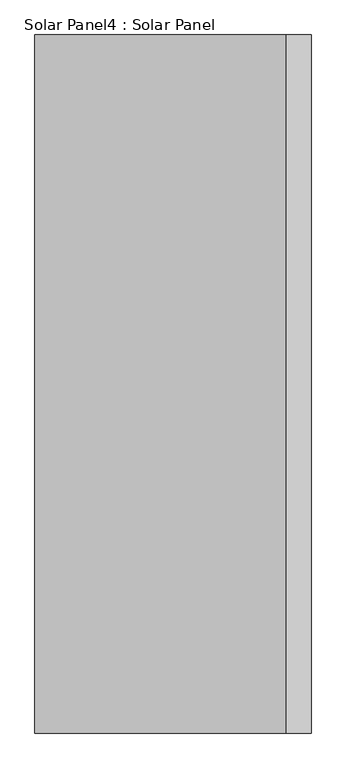
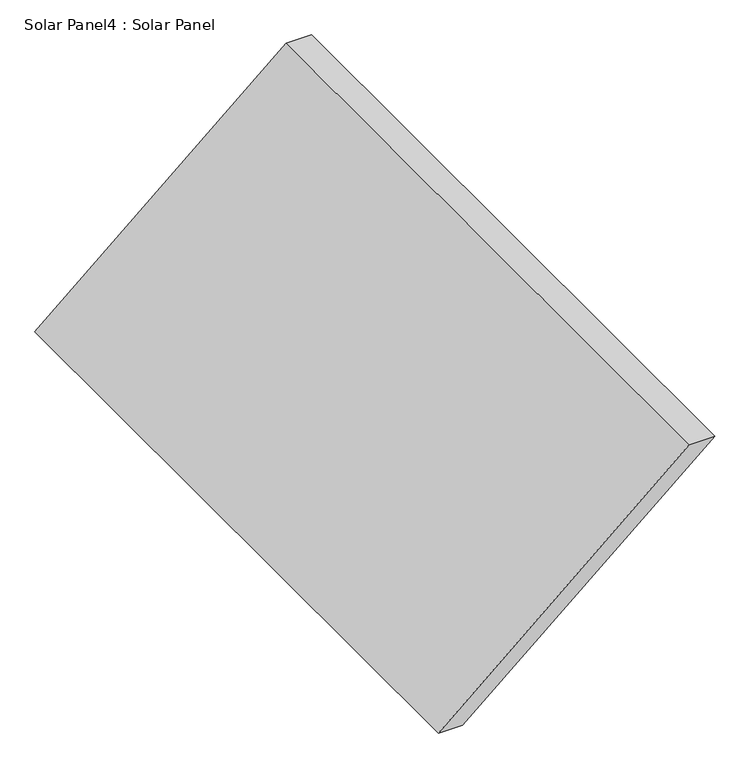
"""IFC4 building model written with IfcOpenShell, lengths in millimetres: air terminal geometry, Solar Panel4 : Solar Panel."""

import ifcopenshell
import ifcopenshell.guid

model = None  # the IFC model being written
_history = None  # IfcOwnerHistory: only IFC2X3 demands one
_inside = {}  # id of a spatial element -> (the spatial element, [elements in it])
_under = {}  # id of a project, library or spatial element -> (it, [spatial elements below it])
_declared = {}  # id of a project -> (the project, [libraries it declares])
_typed = {}  # id of a type object -> (the type object, [elements of that type])
_made_of = {}  # id of a material, layer set ... -> (it, [elements and type objects made of it])


def new_model(schema):
    """Start an empty IFC model of exactly this schema.

    Asked for "IFC4X3", IfcOpenShell would pick the latest addendum, in which some entities
    have other attributes; the version numbers below select the first issue.
    IFC2X3 requires an IfcOwnerHistory on every rooted entity: one is made here for all.
    """
    global model, _history
    if schema == "IFC4X3":
        model = ifcopenshell.file(schema_version=(4, 3, 0, 0))
    else:
        model = ifcopenshell.file(schema=schema)
    _inside.clear()
    _under.clear()
    _declared.clear()
    _typed.clear()
    _made_of.clear()
    _history = None
    if model.schema == "IFC2X3":
        org = make("IfcOrganization", Name="unknown")
        user = make(
            "IfcPersonAndOrganization",
            ThePerson=make("IfcPerson", FamilyName="unknown"),
            TheOrganization=org,
        )
        app = make(
            "IfcApplication",
            ApplicationDeveloper=org,
            Version="unknown",
            ApplicationFullName="unknown",
            ApplicationIdentifier="unknown",
        )
        _history = make(
            "IfcOwnerHistory",
            OwningUser=user,
            OwningApplication=app,
            ChangeAction="ADDED",
            CreationDate=0,
        )
    return model


def make(cls, **values):
    """One entity of the class cls with the attributes given. An attribute that is None is left unset."""
    return model.create_entity(
        cls, **{name: value for name, value in values.items() if value is not None}
    )


def rooted(cls, **values):
    """An entity with a GlobalId (a new one), such as an element, a storey or a relation."""
    return make(cls, GlobalId=ifcopenshell.guid.new(), OwnerHistory=_history, **values)


def si_unit(unit_type, name, prefix=None):
    """IfcSIUnit, for example si_unit("LENGTHUNIT", "METRE", prefix="MILLI")."""
    return make("IfcSIUnit", UnitType=unit_type, Prefix=prefix, Name=name)


def assignment(units):
    """IfcUnitAssignment: the units of a project."""
    return None if units is None else make("IfcUnitAssignment", Units=units)


def point(xyz):
    """IfcCartesianPoint."""
    return None if xyz is None else make("IfcCartesianPoint", Coordinates=xyz)


def direction(xyz):
    """IfcDirection."""
    return None if xyz is None else make("IfcDirection", DirectionRatios=xyz)


def frame(location, z_axis=None, x_axis=None):
    """IfcAxis2Placement3D, a coordinate frame: its origin and axes. An axis left out is left unset."""
    return make(
        "IfcAxis2Placement3D",
        Location=point(location),
        Axis=direction(z_axis),
        RefDirection=direction(x_axis),
    )


def origin():
    """The frame at (0, 0, 0) with its axes left unset."""
    return frame((0.0, 0.0, 0.0))


def place(relative_to, where):
    """IfcLocalPlacement: puts the frame where relative to a parent placement (None: the world)."""
    return make(
        "IfcLocalPlacement", PlacementRelTo=relative_to, RelativePlacement=where
    )


def context(
    kind, dimensions, precision=None, world=None, true_north=None, identifier=None
):
    """IfcGeometricRepresentationContext, for example the 3D "Model" context."""
    return make(
        "IfcGeometricRepresentationContext",
        ContextIdentifier=identifier,
        ContextType=kind,
        CoordinateSpaceDimension=dimensions,
        Precision=precision,
        WorldCoordinateSystem=world,
        TrueNorth=true_north,
    )


def project(units=None, contexts=None):
    """IfcProject with its units and contexts."""
    return rooted(
        "IfcProject",
        Name="project",
        RepresentationContexts=contexts,
        UnitsInContext=assignment(units),
    )


def spatial(cls, under=None, at=None, **own):
    """A site, building, storey or space (cls), placed at a placement, below another one or the project."""
    s = rooted(cls, ObjectPlacement=at, **own)
    if under is not None:
        _under.setdefault(under.id(), (under, []))[1].append(s)
    return s


def polyline(points):
    """IfcPolyline through the points."""
    return make("IfcPolyline", Points=[point(p) for p in points])


def outline(outer, holes=None, kind="AREA"):
    """IfcArbitraryClosedProfileDef: a profile drawn as a closed curve; with holes, ...WithVoids."""
    if holes is None:
        return make("IfcArbitraryClosedProfileDef", ProfileType=kind, OuterCurve=outer)
    return make(
        "IfcArbitraryProfileDefWithVoids",
        ProfileType=kind,
        OuterCurve=outer,
        InnerCurves=holes,
    )


def extrude(swept, where, along, depth):
    """IfcExtrudedAreaSolid: the profile swept, set in the frame where, extruded along a direction by depth."""
    return make(
        "IfcExtrudedAreaSolid",
        SweptArea=swept,
        Position=where,
        ExtrudedDirection=direction(along),
        Depth=depth,
    )


def shape(context_of_items, identifier, shape_type, items):
    """IfcShapeRepresentation: the items that make up one representation, for example the "Body"."""
    return make(
        "IfcShapeRepresentation",
        ContextOfItems=context_of_items,
        RepresentationIdentifier=identifier,
        RepresentationType=shape_type,
        Items=items,
    )


def source(mapping_origin, context_of_items, identifier, shape_type, items):
    """IfcRepresentationMap: a shape defined once, which mapped items show again and again."""
    return make(
        "IfcRepresentationMap",
        MappingOrigin=mapping_origin,
        MappedRepresentation=shape(context_of_items, identifier, shape_type, items),
    )


def transform(
    local_origin,
    x_axis=None,
    y_axis=None,
    z_axis=None,
    scale=None,
    scale2=None,
    scale3=None,
    uniform=True,
):
    """IfcCartesianTransformationOperator3D, or its non-uniform kind. x_axis, y_axis, z_axis: its Axis1, 2, 3."""
    if uniform:
        return make(
            "IfcCartesianTransformationOperator3D",
            Axis1=direction(x_axis),
            Axis2=direction(y_axis),
            LocalOrigin=point(local_origin),
            Scale=scale,
            Axis3=direction(z_axis),
        )
    return make(
        "IfcCartesianTransformationOperator3DnonUniform",
        Axis1=direction(x_axis),
        Axis2=direction(y_axis),
        LocalOrigin=point(local_origin),
        Scale=scale,
        Axis3=direction(z_axis),
        Scale2=scale2,
        Scale3=scale3,
    )


def mapped(mapping_source, mapping_target):
    """IfcMappedItem: shows the shape of a source again, moved by a transform."""
    return make(
        "IfcMappedItem", MappingSource=mapping_source, MappingTarget=mapping_target
    )


def made_of(thing, what):
    """Note that an element or type object is made of a material, layer set ...; save() writes the relation."""
    if what is not None:
        _made_of.setdefault(what.id(), (what, []))[1].append(thing)
    return thing


def element(
    cls,
    number,
    at=None,
    inside=None,
    cuts=None,
    type_object=None,
    material=None,
    context=None,
    identifier="Body",
    shape_type=None,
    held_by="IfcProductDefinitionShape",
    body=None,
    shapes=None,
    **own,
):
    """One element of the class cls, such as IfcWall. Its Tag is "e" and its number.

    at: its placement. inside: the storey or other place that contains it. cuts: it is an
    opening in that element (IfcRelVoidsElement). A single representation is given by context,
    identifier, shape_type and body (its items); several are given by shapes. held_by: the class
    of the entity that holds the representations. save() writes the other relations.
    """
    e = rooted(cls, Tag="e%d" % number, ObjectPlacement=at, **own)
    if body is not None:
        shapes = [shape(context, identifier, shape_type, body)]
    if shapes is not None:
        e.Representation = make(held_by, Representations=shapes)
    if inside is not None:
        _inside.setdefault(inside.id(), (inside, []))[1].append(e)
    if cuts is not None:
        rooted(
            "IfcRelVoidsElement", RelatingBuildingElement=cuts, RelatedOpeningElement=e
        )
    if type_object is not None:
        _typed.setdefault(type_object.id(), (type_object, []))[1].append(e)
    return made_of(e, material)


def aggregate(whole, parts):
    """IfcRelAggregates: a whole, such as a stair, and the parts it consists of."""
    return rooted("IfcRelAggregates", RelatingObject=whole, RelatedObjects=parts)


def save(model, path):
    """Write the relations noted so far, then the file.

    IfcRelAggregates (storeys below a building ...), IfcRelContainedInSpatialStructure (elements
    in a storey), IfcRelDefinesByType, IfcRelAssociatesMaterial and IfcRelDeclares: one each for
    every whole, place, type object, material and project.
    """
    for whole, parts in _under.values():
        aggregate(whole, parts)
    for where, things in _inside.values():
        rooted(
            "IfcRelContainedInSpatialStructure",
            RelatedElements=things,
            RelatingStructure=where,
        )
    for kind, things in _typed.values():
        rooted("IfcRelDefinesByType", RelatedObjects=things, RelatingType=kind)
    for what, things in _made_of.values():
        rooted("IfcRelAssociatesMaterial", RelatedObjects=things, RelatingMaterial=what)
    for by, libraries in _declared.values():
        rooted("IfcRelDeclares", RelatingContext=by, RelatedDefinitions=libraries)
    model.write(path)


def solar_panel4_solar_panel_b3f246e4(model_context):
    return source(origin(), model_context, "Body", "SweptSolid", [
        extrude(outline(polyline([(5700.0, 21394.3403553), (5700.0, 21494.3403553), (6600.0, 22541.2567874), (6600.0, 22435.3393037), (5700.0, 21394.3403553)])), frame((0.0, 4945.9016466, 0.0), z_axis=(0.0, 1.0, 0.0), x_axis=(0.0, 0.0, 1.0)), (0.0, 0.0, 1.0), 2900.0),
    ])


if __name__ == "__main__":
    model = new_model("IFC4")
    model_context = context("Model", 3, world=origin())
    ifc_project = project(units=[si_unit("LENGTHUNIT", "METRE", prefix="MILLI")], contexts=[model_context])
    site = spatial("IfcSite", under=ifc_project)
    building = spatial("IfcBuilding", under=site)
    placement = place(None, origin())
    solar_panel4_solar_panel_shape = solar_panel4_solar_panel_b3f246e4(model_context)
    element("IfcAirTerminal", 1, ObjectType="Solar Panel4 : Solar Panel", at=placement, inside=building, context=model_context, shape_type="MappedRepresentation", body=[
        mapped(solar_panel4_solar_panel_shape, transform((0.0, 0.0, 0.0), x_axis=(1.0, 0.0, 0.0), y_axis=(0.0, 1.0, 0.0), z_axis=(0.0, 0.0, 1.0))),
    ])
    save(model, "model.ifc")
